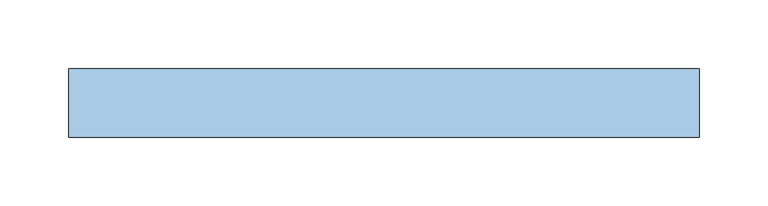
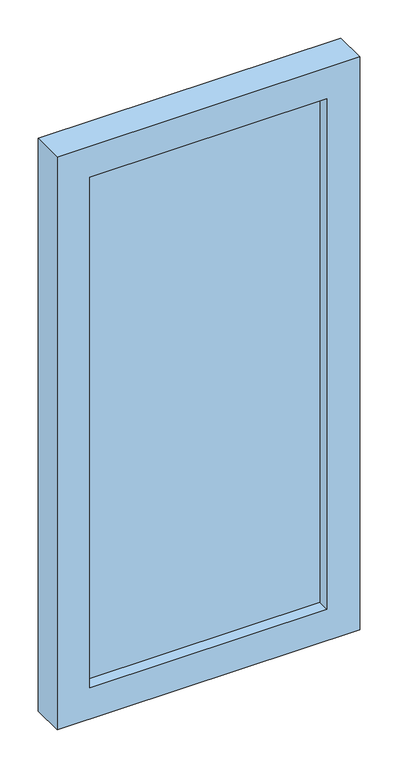
"""IFC4 building model written with IfcOpenShell, lengths in millimetres: window geometry."""

from ifc_helpers import new_model, si_unit, frame, origin, place, context, project, spatial, polyline, outline, extrude, source, transform, mapped, element, save


def window_e85ea9c4(model_context):
    return source(origin(), model_context, "Body", "SweptSolid", [
        extrude(outline(polyline([(180.0, 94.05), (-180.0, 94.05), (-180.0, 106.75), (180.0, 106.75), (180.0, 94.05)])), frame((0.0, 0.0, 50.0), z_axis=(0.0, 0.0, 1.0), x_axis=(1.0, 0.0, 0.0)), (0.0, 0.0, 1.0), 820.0),
        extrude(outline(polyline([(920.0, -230.0), (0.0, -230.0), (0.0, 230.0), (920.0, 230.0), (920.0, -230.0)]), holes=[polyline([(870.0, -180.0), (870.0, 180.0), (50.0, 180.0), (50.0, -180.0), (870.0, -180.0)])]), frame((0.0, 75.0, 0.0), z_axis=(0.0, 1.0, 0.0), x_axis=(0.0, 0.0, 1.0)), (0.0, 0.0, 1.0), 50.0),
    ])


if __name__ == "__main__":
    model = new_model("IFC4")
    model_context = context("Model", 3, world=origin())
    ifc_project = project(units=[si_unit("LENGTHUNIT", "METRE", prefix="MILLI")], contexts=[model_context])
    site = spatial("IfcSite", under=ifc_project)
    building = spatial("IfcBuilding", under=site)
    placement = place(None, origin())
    window_shape = window_e85ea9c4(model_context)
    element("IfcWindow", 1, at=placement, inside=building, context=model_context, shape_type="MappedRepresentation", body=[
        mapped(window_shape, transform((0.0, 0.0, 0.0), x_axis=(1.0, 0.0, 0.0), y_axis=(0.0, 1.0, 0.0), z_axis=(0.0, 0.0, 1.0))),
    ])
    save(model, "model.ifc")
